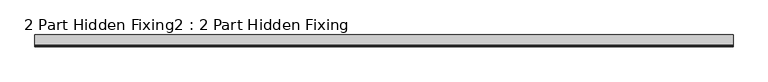
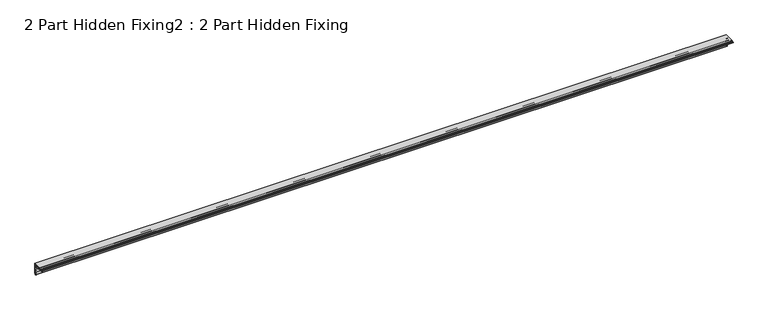
"""IFC4 building model written with IfcOpenShell, lengths in millimetres: proxy geometry, 2 Part Hidden Fixing2 : 2 Part Hidden Fixing."""

from ifc_helpers import new_model, si_unit, point, frame, frame_2d, origin, place, context, project, spatial, polyline, circle_curve, trimmed, segment, composite_curve, outline, extrude, source, transform, mapped, element, save


def proxy_2_part_hidden_fixing2_2_part_hidden_fixing_ecc84a85(model_context):
    return source(origin(), model_context, "Body", "SweptSolid", [
        extrude(outline(composite_curve([segment(trimmed(circle_curve(frame_2d((-1214.081486, 1396.1887139)), 25.0), [point((-1189.081486, 1396.1887139))], [point((-1214.081486, 1421.1887139))], True, "CARTESIAN"), True, "CONTINUOUS"), segment(polyline([(-1214.081486, 1421.1887139), (-1222.131486, 1421.1887139)]), True, "CONTINUOUS"), segment(trimmed(circle_curve(frame_2d((-1222.131486, 1423.2293979)), 2.040684), [point((-1222.131486, 1421.1887139))], [point((-1224.1098272, 1423.729955))], False, "CARTESIAN"), True, "CONTINUOUS"), segment(trimmed(circle_curve(frame_2d((-1223.2188479, 1423.5045207)), 0.9190564), [point((-1224.1098272, 1423.729955))], [point((-1222.3001227, 1423.5291901))], False, "CARTESIAN"), True, "CONTINUOUS"), segment(trimmed(circle_curve(frame_2d((-1221.4181649, 1423.5528723)), 0.8822757), [point((-1222.3001227, 1423.5291901))], [point((-1220.5359026, 1423.5577279))], True, "CARTESIAN"), True, "CONTINUOUS"), segment(polyline([(-1220.5359026, 1423.5577279), (-1220.5314836, 1425.3406967)]), True, "CONTINUOUS"), segment(trimmed(circle_curve(frame_2d((-1219.2764704, 1425.187691)), 1.2643057), [point((-1220.5314836, 1425.3406967))], [point((-1218.881486, 1426.3887139))], False, "CARTESIAN"), True, "CONTINUOUS"), segment(polyline([(-1218.881486, 1426.3887139), (-1183.881486, 1426.3887139), (-1183.881486, 1391.3887139)]), True, "CONTINUOUS"), segment(trimmed(circle_curve(frame_2d((-1185.082509, 1390.9937296)), 1.2643057), [point((-1183.881486, 1391.3887139))], [point((-1184.9295033, 1389.7387164))], False, "CARTESIAN"), True, "CONTINUOUS"), segment(polyline([(-1184.9295033, 1389.7387164), (-1186.712472, 1389.7342974)]), True, "CONTINUOUS"), segment(trimmed(circle_curve(frame_2d((-1186.7173277, 1388.8520351)), 0.8822757), [point((-1186.712472, 1389.7342974))], [point((-1186.7410098, 1387.9700773))], True, "CARTESIAN"), True, "CONTINUOUS"), segment(trimmed(circle_curve(frame_2d((-1186.7656793, 1387.051352)), 0.9190564), [point((-1186.7410098, 1387.9700773))], [point((-1186.540245, 1386.1603728))], False, "CARTESIAN"), True, "CONTINUOUS"), segment(trimmed(circle_curve(frame_2d((-1187.040802, 1388.1387139)), 2.040684), [point((-1186.540245, 1386.1603728))], [point((-1189.081486, 1388.1387139))], False, "CARTESIAN"), True, "CONTINUOUS"), segment(polyline([(-1189.081486, 1388.1387139), (-1189.081486, 1396.1887139)]), True, "CONTINUOUS")], self_intersect=False), holes=[composite_curve([segment(polyline([(-1194.7201572, 1414.1358292), (-1188.2620538, 1420.5939326), (-1186.081486, 1420.5939326), (-1186.081486, 1424.1887139), (-1189.6762674, 1424.1887139), (-1189.6762674, 1422.0081462), (-1196.1343708, 1415.5500428)]), True, "CONTINUOUS"), segment(trimmed(circle_curve(frame_2d((-1214.081486, 1396.1887139)), 26.4), [point((-1196.1343708, 1415.5500428))], [point((-1194.7201572, 1414.1358292))], False, "CARTESIAN"), True, "CONTINUOUS")], self_intersect=False), composite_curve([segment(trimmed(circle_curve(frame_2d((-1186.7132935, 1392.5633798)), 0.9753373), [point((-1187.681486, 1392.6812187))], [point((-1186.081486, 1393.3064156))], True, "CARTESIAN"), True, "CONTINUOUS"), segment(polyline([(-1186.081486, 1393.3064156), (-1186.081486, 1417.4080551), (-1188.3770434, 1415.8120383)]), True, "CONTINUOUS"), segment(trimmed(circle_curve(frame_2d((-1188.8700424, 1416.5211208)), 0.8636238), [point((-1188.3770434, 1415.8120383))], [point((-1189.5791249, 1417.0141198))], False, "CARTESIAN"), True, "CONTINUOUS"), segment(polyline([(-1189.5791249, 1417.0141198), (-1193.6661411, 1412.9271036)]), True, "CONTINUOUS"), segment(trimmed(circle_curve(frame_2d((-1214.081486, 1396.1887139)), 26.4), [point((-1193.6661411, 1412.9271036))], [point((-1187.8518601, 1399.1831626))], False, "CARTESIAN"), True, "CONTINUOUS"), segment(trimmed(circle_curve(frame_2d((-1193.8146852, 1393.998872)), 7.901402), [point((-1187.8518601, 1399.1831626))], [point((-1186.881486, 1397.7887139))], False, "CARTESIAN"), True, "CONTINUOUS"), segment(trimmed(circle_curve(frame_2d((-1188.1148636, 1397.1145222)), 1.4056154), [point((-1186.881486, 1397.7887139))], [point((-1187.0983796, 1396.14369))], False, "CARTESIAN"), True, "CONTINUOUS"), segment(trimmed(circle_curve(frame_2d((-1185.5751969, 1394.6889157)), 2.1062891), [point((-1187.0983796, 1396.14369))], [point((-1187.681486, 1394.6889157))], True, "CARTESIAN"), True, "CONTINUOUS"), segment(polyline([(-1187.681486, 1394.6889157), (-1187.681486, 1392.6812187)]), True, "CONTINUOUS")], self_intersect=False), composite_curve([segment(polyline([(-1197.3430963, 1416.6040589), (-1193.2560802, 1420.6910751)]), True, "CONTINUOUS"), segment(trimmed(circle_curve(frame_2d((-1193.7490792, 1421.4001575)), 0.8636238), [point((-1193.2560802, 1420.6910751))], [point((-1194.4581617, 1421.8931566))], False, "CARTESIAN"), True, "CONTINUOUS"), segment(polyline([(-1194.4581617, 1421.8931566), (-1192.8621449, 1424.1887139), (-1216.9637844, 1424.1887139)]), True, "CONTINUOUS"), segment(trimmed(circle_curve(frame_2d((-1217.7068202, 1423.5569065)), 0.9753373), [point((-1216.9637844, 1424.1887139))], [point((-1217.5889812, 1422.5887139))], True, "CARTESIAN"), True, "CONTINUOUS"), segment(polyline([(-1217.5889812, 1422.5887139), (-1215.5812843, 1422.5887139)]), True, "CONTINUOUS"), segment(trimmed(circle_curve(frame_2d((-1215.5812843, 1424.695003)), 2.1062891), [point((-1215.5812843, 1422.5887139))], [point((-1214.12651, 1423.1718204))], True, "CARTESIAN"), True, "CONTINUOUS"), segment(trimmed(circle_curve(frame_2d((-1213.1556778, 1422.1553364)), 1.4056154), [point((-1214.12651, 1423.1718204))], [point((-1212.481486, 1423.3887139))], False, "CARTESIAN"), True, "CONTINUOUS"), segment(trimmed(circle_curve(frame_2d((-1216.271328, 1416.4555147)), 7.901402), [point((-1212.481486, 1423.3887139))], [point((-1211.0870373, 1422.4183399))], False, "CARTESIAN"), True, "CONTINUOUS"), segment(trimmed(circle_curve(frame_2d((-1214.081486, 1396.1887139)), 26.4), [point((-1211.0870373, 1422.4183399))], [point((-1197.3430963, 1416.6040589))], False, "CARTESIAN"), True, "CONTINUOUS")], self_intersect=False)]), frame((-2519.6640929, 0.0, 0.0), z_axis=(1.0, 0.0, 0.0), x_axis=(0.0, 1.0, 0.0)), (0.0, 0.0, 1.0), 2410.0),
    ])


if __name__ == "__main__":
    model = new_model("IFC4")
    model_context = context("Model", 3, world=origin())
    ifc_project = project(units=[si_unit("LENGTHUNIT", "METRE", prefix="MILLI")], contexts=[model_context])
    site = spatial("IfcSite", under=ifc_project)
    building = spatial("IfcBuilding", under=site)
    placement = place(None, origin())
    proxy_2_part_hidden_fixing2_2_part_hidden_fixing_shape = proxy_2_part_hidden_fixing2_2_part_hidden_fixing_ecc84a85(model_context)
    element("IfcBuildingElementProxy", 1, Name="2 Part Hidden Fixing2 : 2 Part Hidden Fixing", ObjectType="2 Part Hidden Fixing2 : 2 Part Hidden Fixing", at=placement, inside=building, context=model_context, shape_type="MappedRepresentation", body=[
        mapped(proxy_2_part_hidden_fixing2_2_part_hidden_fixing_shape, transform((0.0, 0.0, 0.0), x_axis=(1.0, 0.0, 0.0), y_axis=(0.0, 1.0, 0.0), z_axis=(0.0, 0.0, 1.0))),
    ])
    save(model, "model.ifc")
